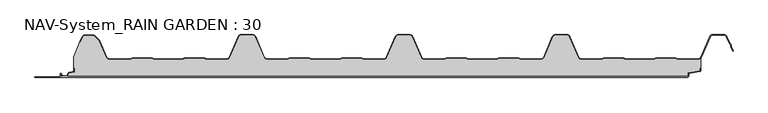
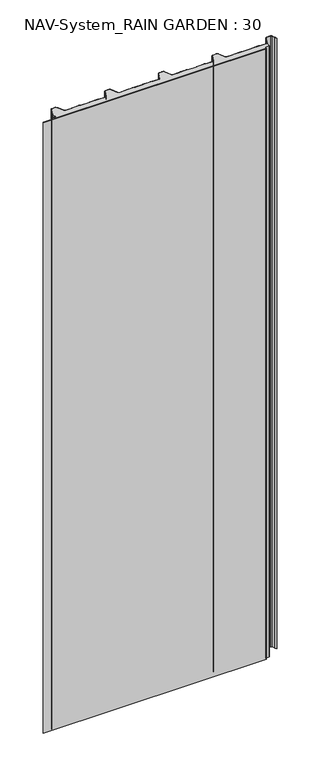
"""IFC4 building model written with IfcOpenShell, lengths in millimetres: plate geometry, NAV-System_RAIN GARDEN : 30."""

from ifc_helpers import new_model, si_unit, point, frame, frame_2d, origin, origin_with_axes, place, context, project, spatial, polyline, circle_curve, trimmed, segment, composite_curve, outline, extrude, source, transform, mapped, element, save


def nav_system_rain_garden_30_66cdd93b(model_context):
    return source(origin(), model_context, "Body", "SweptSolid", [
        extrude(outline(composite_curve([segment(polyline([(14.6767555, 519.0), (14.6767555, 518.2), (10.3721283, 518.2), (7.8818536, 500.4911207)]), True, "CONTINUOUS"), segment(trimmed(circle_curve(frame_2d((6.3964683, 500.7)), 1.5), [point((7.8818536, 500.4911207))], [point((6.3964683, 499.2))], False, "CARTESIAN"), True, "CONTINUOUS"), segment(polyline([(6.3964683, 499.2), (1.8, 499.2), (1.8, -498.7)]), True, "CONTINUOUS"), segment(trimmed(circle_curve(frame_2d((2.3, -498.7)), 0.5), [point((1.8, -498.7))], [point((2.3, -499.2))], True, "CARTESIAN"), True, "CONTINUOUS"), segment(polyline([(2.3, -499.2), (5.3700191, -499.2)]), True, "CONTINUOUS"), segment(trimmed(circle_curve(frame_2d((5.3700191, -498.7)), 0.5), [point((5.3700191, -499.2))], [point((5.6200191, -498.2669873))], True, "CARTESIAN"), True, "CONTINUOUS"), segment(polyline([(5.6200191, -498.2669873), (2.2, -496.2924383), (2.2, -488.9841833), (7.6866602, -485.8164586), (8.898332, -477.2), (14.6767555, -477.2), (14.6767555, -478.0), (9.5937048, -478.0), (8.5128213, -485.6863953)]), True, "CONTINUOUS"), segment(trimmed(circle_curve(frame_2d((7.2254873, -485.5053666)), 1.3), [point((8.5128213, -485.6863953))], [point((7.8754873, -486.6311996))], False, "CARTESIAN"), True, "CONTINUOUS"), segment(polyline([(7.8754873, -486.6311996), (3.0, -489.4460636), (3.0, -495.8305581), (6.0200191, -497.574167)]), True, "CONTINUOUS"), segment(trimmed(circle_curve(frame_2d((5.3700191, -498.7)), 1.3), [point((6.0200191, -497.574167))], [point((5.3700191, -500.0))], False, "CARTESIAN"), True, "CONTINUOUS"), segment(polyline([(5.3700191, -500.0), (2.3, -500.0)]), True, "CONTINUOUS"), segment(trimmed(circle_curve(frame_2d((2.3, -498.7)), 1.3), [point((2.3, -500.0))], [point((1.0, -498.7))], False, "CARTESIAN"), True, "CONTINUOUS"), segment(polyline([(1.0, -498.7), (1.0, -540.0), (0.0, -540.0), (0.0, 498.7), (1.0, 498.7)]), True, "CONTINUOUS"), segment(trimmed(circle_curve(frame_2d((2.3, 498.7)), 1.3), [point((1.0, 498.7))], [point((2.3, 500.0))], False, "CARTESIAN"), True, "CONTINUOUS"), segment(polyline([(2.3, 500.0), (6.3964683, 500.0)]), True, "CONTINUOUS"), segment(trimmed(circle_curve(frame_2d((6.3964683, 500.7)), 0.7), [point((6.3964683, 500.0))], [point((7.0896481, 500.602523))], True, "CARTESIAN"), True, "CONTINUOUS"), segment(polyline([(7.0896481, 500.602523), (9.5194024, 517.8810287)]), True, "CONTINUOUS"), segment(trimmed(circle_curve(frame_2d((10.8067363, 517.7)), 1.3), [point((9.5194024, 517.8810287))], [point((10.8067363, 519.0))], False, "CARTESIAN"), True, "CONTINUOUS"), segment(polyline([(10.8067363, 519.0), (14.6767555, 519.0)]), True, "CONTINUOUS")], self_intersect=False)), frame((0.0, 0.0, 3000.0), z_axis=(0.0, 0.0, -1.0), x_axis=(0.0, 1.0, 0.0)), (0.0, 0.0, 1.0), 3000.0),
        extrude(outline(composite_curve([segment(polyline([(519.0, 30.6220493), (519.0, 14.6767555), (518.2, 14.6767555), (518.2, 10.3721283), (500.4911207, 7.8818536)]), True, "CONTINUOUS"), segment(trimmed(circle_curve(frame_2d((500.7, 6.3964683)), 1.5), [point((500.4911207, 7.8818536))], [point((499.2, 6.3964683))], True, "CARTESIAN"), True, "CONTINUOUS"), segment(polyline([(499.2, 6.3964683), (499.2, 1.8), (-498.7, 1.8)]), True, "CONTINUOUS"), segment(trimmed(circle_curve(frame_2d((-498.7, 2.3)), 0.5), [point((-498.7, 1.8))], [point((-499.2, 2.3))], False, "CARTESIAN"), True, "CONTINUOUS"), segment(polyline([(-499.2, 2.3), (-499.2, 5.3700191)]), True, "CONTINUOUS"), segment(trimmed(circle_curve(frame_2d((-498.7, 5.3700191)), 0.5), [point((-499.2, 5.3700191))], [point((-498.2669873, 5.6200191))], False, "CARTESIAN"), True, "CONTINUOUS"), segment(polyline([(-498.2669873, 5.6200191), (-496.2924383, 2.2), (-488.9841833, 2.2), (-485.8164586, 7.6866602), (-477.2, 8.898332), (-477.2, 14.6767555), (-478.0, 14.6767555), (-478.0, 33.053822), (-468.3696578, 56.593514), (-467.6292254, 56.2905951), (-464.1022482, 64.9116756)]), True, "CONTINUOUS"), segment(trimmed(circle_curve(frame_2d((-461.1405186, 63.7)), 3.2), [point((-464.1022482, 64.9116756))], [point((-461.1405186, 66.9))], False, "CARTESIAN"), True, "CONTINUOUS"), segment(polyline([(-461.1405186, 66.9), (-447.7344665, 66.9)]), True, "CONTINUOUS"), segment(trimmed(circle_curve(frame_2d((-447.7344665, 62.7)), 4.2), [point((-447.7344665, 66.9))], [point((-444.764618, 65.6698485))], False, "CARTESIAN"), True, "CONTINUOUS"), segment(polyline([(-444.764618, 65.6698485), (-438.3136397, 59.2188701)]), True, "CONTINUOUS"), segment(trimmed(circle_curve(frame_2d((-441.2834882, 56.2490217)), 4.2), [point((-438.3136397, 59.2188701))], [point((-437.4245651, 57.9069459))], False, "CARTESIAN"), True, "CONTINUOUS"), segment(polyline([(-437.4245651, 57.9069459), (-426.3392729, 32.1052295)]), True, "CONTINUOUS"), segment(trimmed(circle_curve(frame_2d((-421.9290751, 34.0)), 4.8), [point((-426.3392729, 32.1052295))], [point((-421.9290751, 29.2))], True, "CARTESIAN"), True, "CONTINUOUS"), segment(polyline([(-421.9290751, 29.2), (-389.1564631, 29.2), (-385.1925378, 30.7), (-353.6825105, 30.7), (-349.6410865, 29.2), (-305.8231298, 29.2), (-301.9276212, 30.6741102), (-270.3491772, 30.7), (-266.3077532, 29.2), (-234.4101978, 29.2)]), True, "CONTINUOUS"), segment(trimmed(circle_curve(frame_2d((-234.4101978, 34.0)), 4.8), [point((-234.4101978, 29.2))], [point((-230.0, 32.1052295))], True, "CARTESIAN"), True, "CONTINUOUS"), segment(polyline([(-230.0, 32.1052295), (-215.7994417, 65.1579242)]), True, "CONTINUOUS"), segment(trimmed(circle_curve(frame_2d((-211.9405186, 63.5)), 4.2), [point((-215.7994417, 65.1579242))], [point((-211.9405186, 67.7))], False, "CARTESIAN"), True, "CONTINUOUS"), segment(polyline([(-211.9405186, 67.7), (-193.5280451, 67.7)]), True, "CONTINUOUS"), segment(trimmed(circle_curve(frame_2d((-193.5280451, 63.5)), 4.2), [point((-193.5280451, 67.7))], [point((-189.669122, 65.1579242))], False, "CARTESIAN"), True, "CONTINUOUS"), segment(polyline([(-189.669122, 65.1579242), (-175.4685637, 32.1052295)]), True, "CONTINUOUS"), segment(trimmed(circle_curve(frame_2d((-171.0583659, 34.0)), 4.8), [point((-175.4685637, 32.1052295))], [point((-171.0583659, 29.2))], True, "CARTESIAN"), True, "CONTINUOUS"), segment(polyline([(-171.0583659, 29.2), (-139.1564631, 29.2), (-135.1925378, 30.7), (-103.6825105, 30.7), (-99.6410865, 29.2), (-55.8231298, 29.2), (-51.9276212, 30.6741102), (-20.3491772, 30.7), (-16.3077532, 29.2), (15.5898022, 29.2)]), True, "CONTINUOUS"), segment(trimmed(circle_curve(frame_2d((15.5898022, 34.0)), 4.8), [point((15.5898022, 29.2))], [point((20.0, 32.1052295))], True, "CARTESIAN"), True, "CONTINUOUS"), segment(polyline([(20.0, 32.1052295), (34.2005583, 65.1579242)]), True, "CONTINUOUS"), segment(trimmed(circle_curve(frame_2d((38.0594814, 63.5)), 4.2), [point((34.2005583, 65.1579242))], [point((38.0594814, 67.7))], False, "CARTESIAN"), True, "CONTINUOUS"), segment(polyline([(38.0594814, 67.7), (56.4719549, 67.7)]), True, "CONTINUOUS"), segment(trimmed(circle_curve(frame_2d((56.4719549, 63.5)), 4.2), [point((56.4719549, 67.7))], [point((60.330878, 65.1579242))], False, "CARTESIAN"), True, "CONTINUOUS"), segment(polyline([(60.330878, 65.1579242), (74.5314363, 32.1052295)]), True, "CONTINUOUS"), segment(trimmed(circle_curve(frame_2d((78.9416341, 34.0)), 4.8), [point((74.5314363, 32.1052295))], [point((78.9416341, 29.2))], True, "CARTESIAN"), True, "CONTINUOUS"), segment(polyline([(78.9416341, 29.2), (110.8435369, 29.2), (114.8074622, 30.7), (146.3174895, 30.7), (150.3589135, 29.2), (194.1768702, 29.2), (198.0723788, 30.6741102), (229.6508228, 30.7), (233.6922468, 29.2), (265.5898022, 29.2)]), True, "CONTINUOUS"), segment(trimmed(circle_curve(frame_2d((265.5898022, 34.0)), 4.8), [point((265.5898022, 29.2))], [point((270.0, 32.1052295))], True, "CARTESIAN"), True, "CONTINUOUS"), segment(polyline([(270.0, 32.1052295), (284.2005583, 65.1579242)]), True, "CONTINUOUS"), segment(trimmed(circle_curve(frame_2d((288.0594814, 63.5)), 4.2), [point((284.2005583, 65.1579242))], [point((288.0594814, 67.7))], False, "CARTESIAN"), True, "CONTINUOUS"), segment(polyline([(288.0594814, 67.7), (306.4719549, 67.7)]), True, "CONTINUOUS"), segment(trimmed(circle_curve(frame_2d((306.4719549, 63.5)), 4.2), [point((306.4719549, 67.7))], [point((310.330878, 65.1579242))], False, "CARTESIAN"), True, "CONTINUOUS"), segment(polyline([(310.330878, 65.1579242), (324.5314363, 32.1052295)]), True, "CONTINUOUS"), segment(trimmed(circle_curve(frame_2d((328.9416341, 34.0)), 4.8), [point((324.5314363, 32.1052295))], [point((328.9416341, 29.2))], True, "CARTESIAN"), True, "CONTINUOUS"), segment(polyline([(328.9416341, 29.2), (360.8435369, 29.2), (364.7390455, 30.6741102), (396.3174895, 30.7), (400.3589135, 29.2), (444.1768702, 29.2), (448.0723788, 30.6741102), (479.6508228, 30.7), (483.6922468, 29.2), (515.5898022, 29.2)]), True, "CONTINUOUS"), segment(trimmed(circle_curve(frame_2d((515.5898022, 34.0)), 4.8), [point((515.5898022, 29.2))], [point((519.0, 30.6220493))], True, "CARTESIAN"), True, "CONTINUOUS")], self_intersect=False)), origin_with_axes(), (0.0, 0.0, 1.0), 3000.0),
        extrude(outline(composite_curve([segment(trimmed(circle_curve(frame_2d((-461.1408608, 63.7)), 4.0), [point((-464.8430228, 65.2145945))], [point((-461.1408608, 67.7))], False, "CARTESIAN"), True, "CONTINUOUS"), segment(polyline([(-461.1408608, 67.7), (-447.7348087, 67.7)]), True, "CONTINUOUS"), segment(trimmed(circle_curve(frame_2d((-447.7348087, 62.7)), 5.0), [point((-447.7348087, 67.7))], [point((-444.1992748, 66.2355339))], False, "CARTESIAN"), True, "CONTINUOUS"), segment(polyline([(-444.1992748, 66.2355339), (-437.7482965, 59.7845556)]), True, "CONTINUOUS"), segment(trimmed(circle_curve(frame_2d((-441.2838304, 56.2490217)), 5.0), [point((-437.7482965, 59.7845556))], [point((-436.6898744, 58.2227409))], False, "CARTESIAN"), True, "CONTINUOUS"), segment(polyline([(-436.6898744, 58.2227409), (-425.6045822, 32.4210246)]), True, "CONTINUOUS"), segment(trimmed(circle_curve(frame_2d((-421.9294173, 34.0)), 4.0), [point((-425.6045822, 32.4210246))], [point((-421.9294173, 30.0))], True, "CARTESIAN"), True, "CONTINUOUS"), segment(polyline([(-421.9294173, 30.0), (-389.3031082, 30.0), (-385.3391828, 31.5), (-353.4633986, 31.5), (-349.4994732, 30.0), (-305.9697749, 30.0), (-302.0058495, 31.5), (-270.1300653, 31.5), (-266.1661399, 30.0), (-234.41054, 30.0)]), True, "CONTINUOUS"), segment(trimmed(circle_curve(frame_2d((-234.41054, 34.0)), 4.0), [point((-234.41054, 30.0))], [point((-230.7353752, 32.4210246))], True, "CARTESIAN"), True, "CONTINUOUS"), segment(polyline([(-230.7353752, 32.4210246), (-216.5348169, 65.4737193)]), True, "CONTINUOUS"), segment(trimmed(circle_curve(frame_2d((-211.9408608, 63.5)), 5.0), [point((-216.5348169, 65.4737193))], [point((-211.9408608, 68.5))], False, "CARTESIAN"), True, "CONTINUOUS"), segment(polyline([(-211.9408608, 68.5), (-193.5283873, 68.5)]), True, "CONTINUOUS"), segment(trimmed(circle_curve(frame_2d((-193.5283873, 63.5)), 5.0), [point((-193.5283873, 68.5))], [point((-188.9344313, 65.4737193))], False, "CARTESIAN"), True, "CONTINUOUS"), segment(polyline([(-188.9344313, 65.4737193), (-174.7338729, 32.4210246)]), True, "CONTINUOUS"), segment(trimmed(circle_curve(frame_2d((-171.0587081, 34.0)), 4.0), [point((-174.7338729, 32.4210246))], [point((-171.0587081, 30.0))], True, "CARTESIAN"), True, "CONTINUOUS"), segment(polyline([(-171.0587081, 30.0), (-139.3031082, 30.0), (-135.3391828, 31.5), (-103.4633986, 31.5), (-99.4994732, 30.0), (-55.9697749, 30.0), (-52.0058495, 31.5), (-20.1300653, 31.5), (-16.1661399, 30.0), (15.58946, 30.0)]), True, "CONTINUOUS"), segment(trimmed(circle_curve(frame_2d((15.58946, 34.0)), 4.0), [point((15.58946, 30.0))], [point((19.2646248, 32.4210246))], True, "CARTESIAN"), True, "CONTINUOUS"), segment(polyline([(19.2646248, 32.4210246), (33.4651831, 65.4737193)]), True, "CONTINUOUS"), segment(trimmed(circle_curve(frame_2d((38.0591392, 63.5)), 5.0), [point((33.4651831, 65.4737193))], [point((38.0591392, 68.5))], False, "CARTESIAN"), True, "CONTINUOUS"), segment(polyline([(38.0591392, 68.5), (56.4716127, 68.5)]), True, "CONTINUOUS"), segment(trimmed(circle_curve(frame_2d((56.4716127, 63.5)), 5.0), [point((56.4716127, 68.5))], [point((61.0655687, 65.4737193))], False, "CARTESIAN"), True, "CONTINUOUS"), segment(polyline([(61.0655687, 65.4737193), (75.2661271, 32.4210246)]), True, "CONTINUOUS"), segment(trimmed(circle_curve(frame_2d((78.9412919, 34.0)), 4.0), [point((75.2661271, 32.4210246))], [point((78.9412919, 30.0))], True, "CARTESIAN"), True, "CONTINUOUS"), segment(polyline([(78.9412919, 30.0), (110.6968918, 30.0), (114.6608172, 31.5), (146.5366014, 31.5), (150.5005268, 30.0), (194.0302251, 30.0), (197.9941505, 31.5), (229.8699347, 31.5), (233.8338601, 30.0), (265.58946, 30.0)]), True, "CONTINUOUS"), segment(trimmed(circle_curve(frame_2d((265.58946, 34.0)), 4.0), [point((265.58946, 30.0))], [point((269.2646248, 32.4210246))], True, "CARTESIAN"), True, "CONTINUOUS"), segment(polyline([(269.2646248, 32.4210246), (283.4651831, 65.4737193)]), True, "CONTINUOUS"), segment(trimmed(circle_curve(frame_2d((288.0591392, 63.5)), 5.0), [point((283.4651831, 65.4737193))], [point((288.0591392, 68.5))], False, "CARTESIAN"), True, "CONTINUOUS"), segment(polyline([(288.0591392, 68.5), (306.4716127, 68.5)]), True, "CONTINUOUS"), segment(trimmed(circle_curve(frame_2d((306.4716127, 63.5)), 5.0), [point((306.4716127, 68.5))], [point((311.0655687, 65.4737193))], False, "CARTESIAN"), True, "CONTINUOUS"), segment(polyline([(311.0655687, 65.4737193), (325.2661271, 32.4210246)]), True, "CONTINUOUS"), segment(trimmed(circle_curve(frame_2d((328.9412919, 34.0)), 4.0), [point((325.2661271, 32.4210246))], [point((328.9412919, 30.0))], True, "CARTESIAN"), True, "CONTINUOUS"), segment(polyline([(328.9412919, 30.0), (360.6968918, 30.0), (364.6608172, 31.5), (396.5366014, 31.5), (400.5005268, 30.0), (444.0302251, 30.0), (447.9941505, 31.5), (479.8699347, 31.5), (483.8338601, 30.0), (515.58946, 30.0)]), True, "CONTINUOUS"), segment(trimmed(circle_curve(frame_2d((515.58946, 34.0)), 4.0), [point((515.58946, 30.0))], [point((519.2646248, 32.4210246))], True, "CARTESIAN"), True, "CONTINUOUS"), segment(polyline([(519.2646248, 32.4210246), (533.4651831, 65.4737193)]), True, "CONTINUOUS"), segment(trimmed(circle_curve(frame_2d((538.0591392, 63.5)), 5.0), [point((533.4651831, 65.4737193))], [point((538.0591392, 68.5))], False, "CARTESIAN"), True, "CONTINUOUS"), segment(polyline([(538.0591392, 68.5), (556.4716127, 68.5)]), True, "CONTINUOUS"), segment(trimmed(circle_curve(frame_2d((556.4716127, 63.5)), 5.0), [point((556.4716127, 68.5))], [point((561.0655687, 65.4737193))], False, "CARTESIAN"), True, "CONTINUOUS"), segment(polyline([(561.0655687, 65.4737193), (565.9006789, 54.2196957), (567.9230626, 52.4138642), (567.8408612, 49.703799), (570.8182039, 42.7738461), (570.0831709, 42.458051), (567.0358547, 49.5508717), (567.1121268, 52.0654564), (565.2356202, 53.741031), (560.3305358, 65.1579242)]), True, "CONTINUOUS"), segment(trimmed(circle_curve(frame_2d((556.4716127, 63.5)), 4.2), [point((560.3305358, 65.1579242))], [point((556.4716127, 67.7))], True, "CARTESIAN"), True, "CONTINUOUS"), segment(polyline([(556.4716127, 67.7), (538.0591392, 67.7)]), True, "CONTINUOUS"), segment(trimmed(circle_curve(frame_2d((538.0591392, 63.5)), 4.2), [point((538.0591392, 67.7))], [point((534.2002161, 65.1579242))], True, "CARTESIAN"), True, "CONTINUOUS"), segment(polyline([(534.2002161, 65.1579242), (519.9996578, 32.1052295)]), True, "CONTINUOUS"), segment(trimmed(circle_curve(frame_2d((515.58946, 34.0)), 4.8), [point((519.9996578, 32.1052295))], [point((515.58946, 29.2))], False, "CARTESIAN"), True, "CONTINUOUS"), segment(polyline([(515.58946, 29.2), (483.6919046, 29.2), (479.6504806, 30.7), (448.0720366, 30.6741102), (444.1765279, 29.2), (400.3585713, 29.2), (396.3171473, 30.7), (364.7387033, 30.6741102), (360.8431946, 29.2), (328.9412919, 29.2)]), True, "CONTINUOUS"), segment(trimmed(circle_curve(frame_2d((328.9412919, 34.0)), 4.8), [point((328.9412919, 29.2))], [point((324.5310941, 32.1052295))], False, "CARTESIAN"), True, "CONTINUOUS"), segment(polyline([(324.5310941, 32.1052295), (310.3305358, 65.1579242)]), True, "CONTINUOUS"), segment(trimmed(circle_curve(frame_2d((306.4716127, 63.5)), 4.2), [point((310.3305358, 65.1579242))], [point((306.4716127, 67.7))], True, "CARTESIAN"), True, "CONTINUOUS"), segment(polyline([(306.4716127, 67.7), (288.0591392, 67.7)]), True, "CONTINUOUS"), segment(trimmed(circle_curve(frame_2d((288.0591392, 63.5)), 4.2), [point((288.0591392, 67.7))], [point((284.2002161, 65.1579242))], True, "CARTESIAN"), True, "CONTINUOUS"), segment(polyline([(284.2002161, 65.1579242), (269.9996578, 32.1052295)]), True, "CONTINUOUS"), segment(trimmed(circle_curve(frame_2d((265.58946, 34.0)), 4.8), [point((269.9996578, 32.1052295))], [point((265.58946, 29.2))], False, "CARTESIAN"), True, "CONTINUOUS"), segment(polyline([(265.58946, 29.2), (233.6919046, 29.2), (229.6504806, 30.7), (198.0720366, 30.6741102), (194.1765279, 29.2), (150.3585713, 29.2), (146.3171473, 30.7), (114.7387033, 30.6741102), (110.8431946, 29.2), (78.9412919, 29.2)]), True, "CONTINUOUS"), segment(trimmed(circle_curve(frame_2d((78.9412919, 34.0)), 4.8), [point((78.9412919, 29.2))], [point((74.5310941, 32.1052295))], False, "CARTESIAN"), True, "CONTINUOUS"), segment(polyline([(74.5310941, 32.1052295), (60.3305358, 65.1579242)]), True, "CONTINUOUS"), segment(trimmed(circle_curve(frame_2d((56.4716127, 63.5)), 4.2), [point((60.3305358, 65.1579242))], [point((56.4716127, 67.7))], True, "CARTESIAN"), True, "CONTINUOUS"), segment(polyline([(56.4716127, 67.7), (38.0591392, 67.7)]), True, "CONTINUOUS"), segment(trimmed(circle_curve(frame_2d((38.0591392, 63.5)), 4.2), [point((38.0591392, 67.7))], [point((34.2002161, 65.1579242))], True, "CARTESIAN"), True, "CONTINUOUS"), segment(polyline([(34.2002161, 65.1579242), (19.9996578, 32.1052295)]), True, "CONTINUOUS"), segment(trimmed(circle_curve(frame_2d((15.58946, 34.0)), 4.8), [point((19.9996578, 32.1052295))], [point((15.58946, 29.2))], False, "CARTESIAN"), True, "CONTINUOUS"), segment(polyline([(15.58946, 29.2), (-16.3080954, 29.2), (-20.3495194, 30.7), (-51.9279634, 30.6741102), (-55.8234721, 29.2), (-99.6414287, 29.2), (-103.6828527, 30.7), (-135.2612967, 30.6741102), (-139.1568054, 29.2), (-171.0587081, 29.2)]), True, "CONTINUOUS"), segment(trimmed(circle_curve(frame_2d((-171.0587081, 34.0)), 4.8), [point((-171.0587081, 29.2))], [point((-175.4689059, 32.1052295))], False, "CARTESIAN"), True, "CONTINUOUS"), segment(polyline([(-175.4689059, 32.1052295), (-189.6694642, 65.1579242)]), True, "CONTINUOUS"), segment(trimmed(circle_curve(frame_2d((-193.5283873, 63.5)), 4.2), [point((-189.6694642, 65.1579242))], [point((-193.5283873, 67.7))], True, "CARTESIAN"), True, "CONTINUOUS"), segment(polyline([(-193.5283873, 67.7), (-211.9408608, 67.7)]), True, "CONTINUOUS"), segment(trimmed(circle_curve(frame_2d((-211.9408608, 63.5)), 4.2), [point((-211.9408608, 67.7))], [point((-215.7997839, 65.1579242))], True, "CARTESIAN"), True, "CONTINUOUS"), segment(polyline([(-215.7997839, 65.1579242), (-230.0003422, 32.1052295)]), True, "CONTINUOUS"), segment(trimmed(circle_curve(frame_2d((-234.41054, 34.0)), 4.8), [point((-230.0003422, 32.1052295))], [point((-234.41054, 29.2))], False, "CARTESIAN"), True, "CONTINUOUS"), segment(polyline([(-234.41054, 29.2), (-266.3080954, 29.2), (-270.3495194, 30.7), (-301.9279634, 30.6741102), (-305.8234721, 29.2), (-349.6414287, 29.2), (-353.6828527, 30.7), (-385.19288, 30.7), (-389.1568054, 29.2), (-421.9294173, 29.2)]), True, "CONTINUOUS"), segment(trimmed(circle_curve(frame_2d((-421.9294173, 34.0)), 4.8), [point((-421.9294173, 29.2))], [point((-426.3396151, 32.1052295))], False, "CARTESIAN"), True, "CONTINUOUS"), segment(polyline([(-426.3396151, 32.1052295), (-437.4249073, 57.9069459)]), True, "CONTINUOUS"), segment(trimmed(circle_curve(frame_2d((-441.2838304, 56.2490217)), 4.2), [point((-437.4249073, 57.9069459))], [point((-438.3139819, 59.2188701))], True, "CARTESIAN"), True, "CONTINUOUS"), segment(polyline([(-438.3139819, 59.2188701), (-444.7649603, 65.6698485)]), True, "CONTINUOUS"), segment(trimmed(circle_curve(frame_2d((-447.7348087, 62.7)), 4.2), [point((-444.7649603, 65.6698485))], [point((-447.7348087, 66.9))], True, "CARTESIAN"), True, "CONTINUOUS"), segment(polyline([(-447.7348087, 66.9), (-461.1408608, 66.9)]), True, "CONTINUOUS"), segment(trimmed(circle_curve(frame_2d((-461.1408608, 63.7)), 3.2), [point((-461.1408608, 66.9))], [point((-464.1025904, 64.9116756))], True, "CARTESIAN"), True, "CONTINUOUS"), segment(polyline([(-464.1025904, 64.9116756), (-467.6295676, 56.2905951), (-468.37, 56.593514), (-464.8430228, 65.2145945)]), True, "CONTINUOUS")], self_intersect=False)), origin_with_axes(), (0.0, 0.0, 1.0), 3000.0),
    ])


if __name__ == "__main__":
    model = new_model("IFC4")
    model_context = context("Model", 3, world=origin())
    ifc_project = project(units=[si_unit("LENGTHUNIT", "METRE", prefix="MILLI")], contexts=[model_context])
    site = spatial("IfcSite", under=ifc_project)
    building = spatial("IfcBuilding", under=site)
    placement = place(None, origin())
    nav_system_rain_garden_30_shape = nav_system_rain_garden_30_66cdd93b(model_context)
    element("IfcPlate", 1, ObjectType="NAV-System_RAIN GARDEN : 30", at=placement, inside=building, context=model_context, shape_type="MappedRepresentation", body=[
        mapped(nav_system_rain_garden_30_shape, transform((0.0, 0.0, 0.0), x_axis=(1.0, 0.0, 0.0), y_axis=(0.0, 1.0, 0.0), z_axis=(0.0, 0.0, 1.0))),
    ])
    save(model, "model.ifc")
